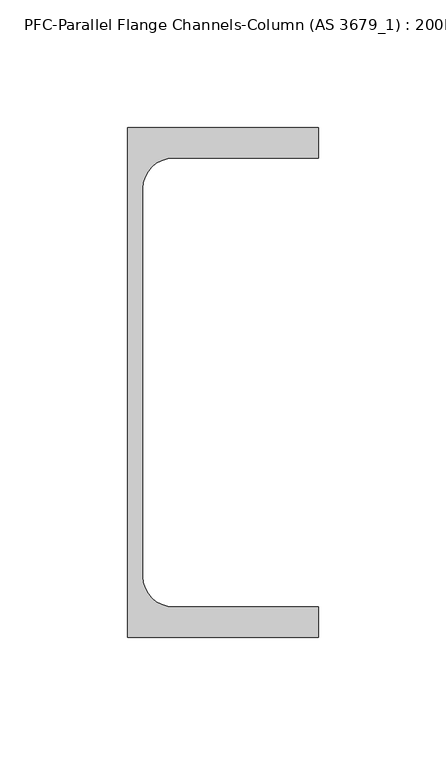
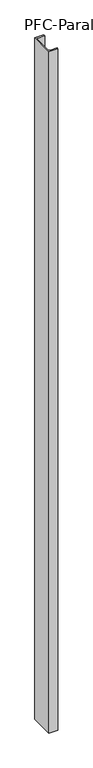
"""IFC4 building model written with IfcOpenShell, lengths in millimetres: column geometry, PFC-Parallel Flange Channels-Column (AS 3679_1) : 200PFC."""

from ifc_helpers import new_model, si_unit, point, frame_2d, origin, origin_with_axes, place, context, project, spatial, polyline, circle_curve, trimmed, segment, composite_curve, outline, extrude, source, transform, mapped, element, save


def pfc_parallel_flange_channels_column_as_3679_1_200pfc_e3928e90(model_context):
    return source(origin(), model_context, "Body", "SweptSolid", [
        extrude(outline(composite_curve([segment(polyline([(50.6, 100.0), (50.6, 88.0), (-6.4, 88.0)]), True, "CONTINUOUS"), segment(trimmed(circle_curve(frame_2d((-6.4, 76.0)), 12.0), [point((-6.4, 88.0))], [point((-18.4, 76.0))], True, "CARTESIAN"), True, "CONTINUOUS"), segment(polyline([(-18.4, 76.0), (-18.4, -76.0)]), True, "CONTINUOUS"), segment(trimmed(circle_curve(frame_2d((-6.4, -76.0)), 12.0), [point((-18.4, -76.0))], [point((-6.4, -88.0))], True, "CARTESIAN"), True, "CONTINUOUS"), segment(polyline([(-6.4, -88.0), (50.6, -88.0), (50.6, -100.0), (-24.4, -100.0), (-24.4, 100.0), (50.6, 100.0)]), True, "CONTINUOUS")], self_intersect=False)), origin_with_axes(), (0.0, 0.0, 1.0), 5950.0),
    ])


if __name__ == "__main__":
    model = new_model("IFC4")
    model_context = context("Model", 3, world=origin())
    ifc_project = project(units=[si_unit("LENGTHUNIT", "METRE", prefix="MILLI")], contexts=[model_context])
    site = spatial("IfcSite", under=ifc_project)
    building = spatial("IfcBuilding", under=site)
    placement = place(None, origin())
    pfc_parallel_flange_channels_column_as_3679_1_200pfc_shape = pfc_parallel_flange_channels_column_as_3679_1_200pfc_e3928e90(model_context)
    element("IfcColumn", 1, ObjectType="PFC-Parallel Flange Channels-Column (AS 3679_1) : 200PFC", at=placement, inside=building, context=model_context, shape_type="MappedRepresentation", body=[
        mapped(pfc_parallel_flange_channels_column_as_3679_1_200pfc_shape, transform((0.0, 0.0, 0.0), x_axis=(1.0, 0.0, 0.0), y_axis=(0.0, 1.0, 0.0), z_axis=(0.0, 0.0, 1.0))),
    ])
    save(model, "model.ifc")
